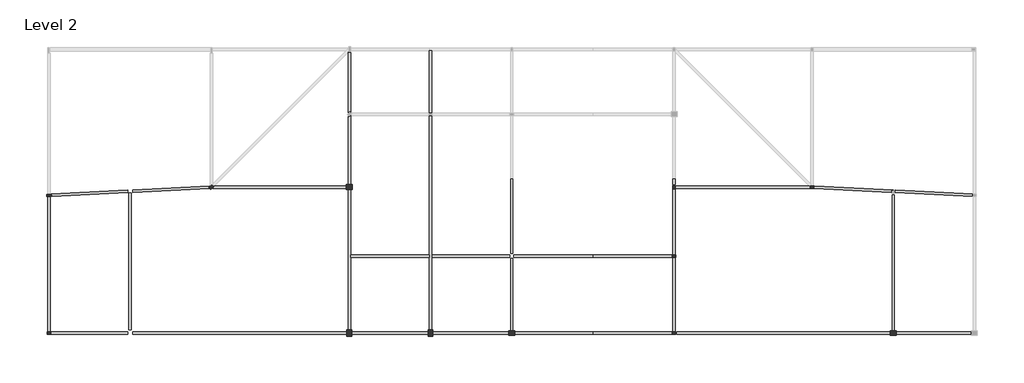
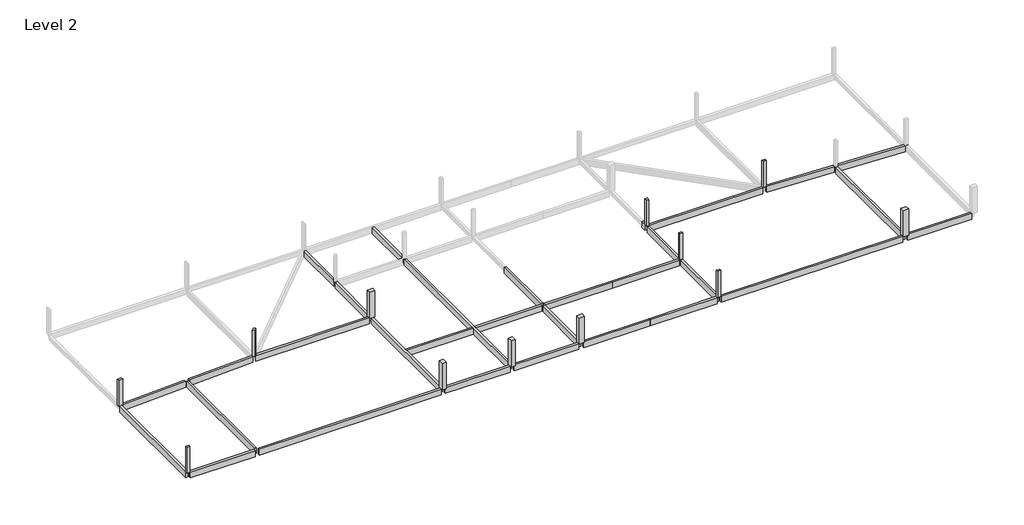
# One storey, part 1 of 2: 21 beams, 12 columns.
"""IFC4 building model written with IfcOpenShell, lengths in millimetres."""

from ifc_helpers import new_model, si_unit, frame, origin, place, context, project, spatial, polyline, outline, extrude, faceted_brep, element, save

model = new_model("IFC4")

# Units and contexts
model_context = context("Model", 3, world=origin())
ifc_project = project(units=[si_unit("LENGTHUNIT", "METRE", prefix="MILLI")], contexts=[model_context])

# Site, building, storey
site = spatial("IfcSite", under=ifc_project)
building = spatial("IfcBuilding", under=site)
storey = spatial("IfcBuildingStorey", under=building, Name="Level 2", Elevation=4000.0)

# Beams
placement = place(None, origin())
element("IfcBeam", 1, ObjectType="M_Concrete-Rectangular Beam : 300 x 900mm", at=placement, inside=storey, context=model_context, shape_type="SweptSolid", body=[
    extrude(outline(polyline([(4306.1468235, -7094.9155312), (4416.3524686, -7205.1211763), (-5015.5057722, -7676.7140883), (-5030.4870573, -7377.0883867), (4500.5245483, -6900.5378064), (4306.1468235, -7094.9155312)])), frame((0.0, 0.0, 3100.0), z_axis=(0.0, 0.0, 1.0), x_axis=(1.0, 0.0, 0.0)), (0.0, 0.0, 1.0), 900.0),
    extrude(outline(polyline([(-5629.7384606, -7407.0509568), (-5614.7571755, -7706.6766585), (-15015.5057722, -8176.7140883), (-15030.4870573, -7877.0883867), (-5629.7384606, -7407.0509568)])), frame((0.0, 0.0, 3100.0), z_axis=(0.0, 0.0, 1.0), x_axis=(1.0, 0.0, 0.0)), (0.0, 0.0, 1.0), 900.0),
])
element("IfcBeam", 2, ObjectType="M_Concrete-Rectangular Beam : 300 x 900mm", at=placement, inside=storey, context=model_context, shape_type="SweptSolid", body=[
    extrude(outline(polyline([(-15472.6221164, -8274.663597), (-15172.6221164, -8259.663597), (-15172.6221164, -24816.8825226), (-15472.6221164, -24816.8825226), (-15472.6221164, -8274.663597)])), frame((0.0, 0.0, 3100.0), z_axis=(0.0, 0.0, 1.0), x_axis=(1.0, 0.0, 0.0)), (0.0, 0.0, 1.0), 900.0),
])
element("IfcBeam", 3, ObjectType="M_Concrete-Rectangular Beam : 300 x 900mm", at=placement, inside=storey, context=model_context, shape_type="SweptSolid", body=[
    extrude(outline(polyline([(-5022.6221164, -25191.8825226), (-5022.6221164, -24891.8825226), (21377.3778836, -24891.8825226), (21377.3778836, -25191.8825226), (-5022.6221164, -25191.8825226)])), frame((0.0, 0.0, 3100.0), z_axis=(0.0, 0.0, 1.0), x_axis=(1.0, 0.0, 0.0)), (0.0, 0.0, 1.0), 900.0),
    extrude(outline(polyline([(-15022.6221164, -25191.8825226), (-15022.6221164, -24891.8825226), (-5622.6221164, -24891.8825226), (-5622.6221164, -25191.8825226), (-15022.6221164, -25191.8825226)])), frame((0.0, 0.0, 3100.0), z_axis=(0.0, 0.0, 1.0), x_axis=(1.0, 0.0, 0.0)), (0.0, 0.0, 1.0), 900.0),
])
element("IfcBeam", 4, ObjectType="M_Concrete-Rectangular Beam : 300 x 900mm", at=placement, inside=storey, context=model_context, shape_type="Brep", body=[
    faceted_brep([(21527.3778836, -24666.8825226, 4000.0), (21827.3778836, -24666.8825226, 4000.0), (21827.3778836, -15691.8825226, 4000.0), (21827.3778836, -15391.8825226, 4000.0), (21827.3778836, -7341.8825226, 4000.0), (21527.3778836, -7341.8825226, 4000.0), (21527.3778836, -24666.8825226, 3100.0), (21527.3778836, -7341.8825226, 3100.0), (21827.3778836, -24666.8825226, 3100.0), (21827.3778836, -7341.8825226, 3100.0), (21827.3778836, -15391.8825226, 3100.0), (21827.3778836, -15691.8825226, 3100.0)], [[[0, 1, 2, 3, 4, 5]], [[6, 0, 5, 7]], [[8, 6, 7, 9, 10, 11]], [[1, 8, 11, 10, 9, 4, 3, 2]], [[1, 0, 6, 8]], [[5, 4, 9, 7]]]),
    faceted_brep([(21527.3778836, 9595.9854431, 3100.0), (21527.3778836, 9595.9854431, 4000.0), (21539.509918, 9608.1174774, 4000.0), (21539.509918, 9608.1174774, 3100.0), (21827.3778836, 9608.1174774, 4000.0), (21827.3778836, 9608.1174774, 3100.0), (21730.4108922, 2329.3485375, 3100.0), (21730.4108922, 2329.3485375, 4000.0), (21527.3778836, 2126.315529, 4000.0), (21527.3778836, 2126.315529, 3100.0), (21827.3778836, 2232.3815461, 3100.0), (21827.3778836, 2232.3815461, 4000.0)], [[[0, 1, 2, 3]], [[2, 4, 5, 3]], [[6, 7, 8, 9]], [[7, 6, 10, 11]], [[2, 1, 8, 7, 11, 4]], [[1, 0, 9, 8]], [[0, 3, 5, 10, 6, 9]], [[5, 4, 11, 10]]]),
    faceted_brep([(21624.344875, 1586.8864173, 3100.0), (21624.344875, 1586.8864173, 4000.0), (21827.3778836, 1789.9194259, 4000.0), (21827.3778836, 1789.9194259, 3100.0), (21527.3778836, 1683.8534087, 3100.0), (21527.3778836, 1683.8534087, 4000.0), (21827.3778836, -6741.8825226, 4000.0), (21527.3778836, -6741.8825226, 4000.0), (21527.3778836, -6741.8825226, 3100.0), (21827.3778836, -6741.8825226, 3100.0)], [[[0, 1, 2, 3]], [[1, 0, 4, 5]], [[6, 7, 8, 9]], [[2, 1, 5, 7, 6]], [[5, 4, 8, 7]], [[0, 3, 9, 8, 4]], [[3, 2, 6, 9]]]),
])
element("IfcBeam", 5, ObjectType="M_Concrete-Rectangular Beam : 300 x 900mm", at=placement, inside=storey, context=model_context, shape_type="SweptSolid", body=[
    extrude(outline(polyline([(-5472.6221164, -7774.663597), (-5172.6221164, -7759.663597), (-5172.6221164, -24666.8825226), (-5472.6221164, -24666.8825226), (-5472.6221164, -7774.663597)])), frame((0.0, 0.0, 3100.0), z_axis=(0.0, 0.0, 1.0), x_axis=(1.0, 0.0, 0.0)), (0.0, 0.0, 1.0), 900.0),
])
element("IfcBeam", 6, ObjectType="M_Concrete-Rectangular Beam : 300 x 900mm", at=placement, inside=storey, context=model_context, shape_type="SweptSolid", body=[
    extrude(outline(polyline([(4995.5759351, -6935.8165054), (5039.509918, -6891.8825226), (21302.3778836, -6891.8825226), (21302.3778836, -7191.8825226), (4845.5759351, -7191.8825226), (5048.6089437, -6988.849514), (4995.5759351, -6935.8165054)])), frame((0.0, 0.0, 3100.0), z_axis=(0.0, 0.0, 1.0), x_axis=(1.0, 0.0, 0.0)), (0.0, 0.0, 1.0), 900.0),
])
element("IfcBeam", 7, ObjectType="M_Concrete-Rectangular Beam : 300 x 900mm", at=placement, inside=storey, context=model_context, shape_type="Brep", body=[
    faceted_brep([(41827.3778836, -15841.8825226, 4000.0), (41527.3778836, -15841.8825226, 4000.0), (41527.3778836, -24741.8825226, 4000.0), (41827.3778836, -24741.8825226, 4000.0), (41827.3778836, -15841.8825226, 3100.0), (41827.3778836, -24741.8825226, 3100.0), (41527.3778836, -15841.8825226, 3100.0), (41527.3778836, -24741.8825226, 3100.0)], [[[0, 1, 2, 3]], [[4, 0, 3, 5]], [[6, 4, 5, 7]], [[1, 6, 7, 2]], [[1, 0, 4, 6]], [[3, 2, 7, 5]]]),
    faceted_brep([(41527.3778836, -6041.8825226, 3100.0), (41527.3778836, -6041.8825226, 3400.0), (41527.3778836, -6041.8825226, 4000.0), (41827.3778836, -6041.8825226, 4000.0), (41827.3778836, -6041.8825226, 3400.0), (41827.3778836, -6041.8825226, 3100.0), (41827.3778836, -15241.8825226, 4000.0), (41527.3778836, -15241.8825226, 4000.0), (41527.3778836, -15241.8825226, 3100.0), (41827.3778836, -15241.8825226, 3100.0)], [[[0, 1, 2, 3, 4, 5]], [[6, 7, 8, 9]], [[3, 2, 7, 6]], [[5, 4, 3, 6, 9]], [[0, 5, 9, 8]], [[2, 1, 0, 8, 7]]]),
])
element("IfcBeam", 8, ObjectType="M_Concrete-Rectangular Beam : 300 x 900mm", at=placement, inside=storey, context=model_context, shape_type="Brep", body=[
    faceted_brep([(31827.3778836, 1733.1174774, 4000.0), (31527.3778836, 1733.1174774, 4000.0), (31527.3778836, -15391.8825226, 4000.0), (31527.3778836, -15691.8825226, 4000.0), (31527.3778836, -24666.8825226, 4000.0), (31827.3778836, -24666.8825226, 4000.0), (31827.3778836, -15691.8825226, 4000.0), (31827.3778836, -15391.8825226, 4000.0), (31827.3778836, 1733.1174774, 3100.0), (31827.3778836, -24666.8825226, 3100.0), (31827.3778836, -15691.8825226, 3100.0), (31827.3778836, -15391.8825226, 3100.0), (31527.3778836, 1733.1174774, 3100.0), (31527.3778836, -24666.8825226, 3100.0), (31527.3778836, -15691.8825226, 3100.0), (31527.3778836, -15391.8825226, 3100.0)], [[[0, 1, 2, 3, 4, 5, 6, 7]], [[8, 0, 7, 6, 5, 9, 10, 11]], [[12, 8, 11, 10, 9, 13, 14, 15]], [[1, 12, 15, 14, 13, 4, 3, 2]], [[1, 0, 8, 12]], [[5, 4, 13, 9]]]),
    faceted_brep([(31527.3778836, 9808.1174774, 4000.0), (31827.3778836, 9808.1174774, 4000.0), (31827.3778836, 9808.1174774, 3100.0), (31527.3778836, 9808.1174774, 3100.0), (31827.3778836, 2183.1174774, 4000.0), (31527.3778836, 2183.1174774, 4000.0), (31527.3778836, 2183.1174774, 3100.0), (31827.3778836, 2183.1174774, 3100.0)], [[[0, 1, 2, 3]], [[4, 5, 6, 7]], [[1, 0, 5, 4]], [[2, 1, 4, 7]], [[3, 2, 7, 6]], [[0, 3, 6, 5]]]),
])
element("IfcBeam", 9, ObjectType="M_Concrete-Rectangular Beam : 300 x 900mm", at=placement, inside=storey, context=model_context, shape_type="SweptSolid", body=[
    extrude(outline(polyline([(31977.3778836, -25191.8825226), (31977.3778836, -24891.8825226), (41302.3778836, -24891.8825226), (41302.3778836, -25191.8825226), (31977.3778836, -25191.8825226)])), frame((0.0, 0.0, 3100.0), z_axis=(0.0, 0.0, 1.0), x_axis=(1.0, 0.0, 0.0)), (0.0, 0.0, 1.0), 900.0),
])
element("IfcBeam", 10, ObjectType="M_Concrete-Rectangular Beam : 300 x 900mm", at=placement, inside=storey, context=model_context, shape_type="SweptSolid", body=[
    extrude(outline(polyline([(31827.3778836, -15691.8825226), (31827.3778836, -15391.8825226), (41452.3778836, -15391.8825226), (41452.3778836, -15691.8825226), (31827.3778836, -15691.8825226)])), frame((0.0, 0.0, 3100.0), z_axis=(0.0, 0.0, 1.0), x_axis=(1.0, 0.0, 0.0)), (0.0, 0.0, 1.0), 900.0),
])
element("IfcBeam", 11, ObjectType="M_Concrete-Rectangular Beam : 300 x 900mm", at=placement, inside=storey, context=model_context, shape_type="SweptSolid", body=[
    extrude(outline(polyline([(21977.3778836, -25191.8825226), (21977.3778836, -24891.8825226), (31377.3778836, -24891.8825226), (31377.3778836, -25191.8825226), (21977.3778836, -25191.8825226)])), frame((0.0, 0.0, 3100.0), z_axis=(0.0, 0.0, 1.0), x_axis=(1.0, 0.0, 0.0)), (0.0, 0.0, 1.0), 900.0),
])
element("IfcBeam", 12, ObjectType="M_Concrete-Rectangular Beam : 300 x 900mm", at=placement, inside=storey, context=model_context, shape_type="SweptSolid", body=[
    extrude(outline(polyline([(31527.3778836, -15391.8825226), (31527.3778836, -15691.8825226), (21827.3778836, -15691.8825226), (21827.3778836, -15391.8825226), (31527.3778836, -15391.8825226)])), frame((0.0, 0.0, 3100.0), z_axis=(0.0, 0.0, 1.0), x_axis=(1.0, 0.0, 0.0)), (0.0, 0.0, 1.0), 900.0),
])
element("IfcBeam", 13, ObjectType="M_Concrete-Rectangular Beam : 300 x 900mm", at=placement, inside=storey, context=model_context, shape_type="Brep", body=[
    faceted_brep([(88452.3778836, -7680.8199055, 4000.0), (88452.3778836, -7392.0699055, 4000.0), (88684.873202, -7392.0699055, 4000.0), (78977.3778836, -6906.6951396, 4000.0), (78977.3778836, -7207.0699055, 4000.0), (88452.3778836, -7680.8199055, 3100.0), (78977.3778836, -7207.0699055, 3100.0), (88452.3778836, -7392.0699055, 3100.0), (78977.3778836, -6906.6951396, 3100.0), (88684.873202, -7392.0699055, 3100.0)], [[[0, 1, 2, 3, 4]], [[5, 0, 4, 6]], [[7, 5, 6, 8, 9]], [[2, 9, 8, 3]], [[7, 1, 0, 5]], [[1, 7, 9, 2]], [[4, 3, 8, 6]]]),
    faceted_brep([(98827.3778836, -8199.5699055, 4000.0), (98827.3778836, -8199.5699055, 3100.0), (98827.3778836, -8191.8825226, 3100.0), (98827.3778836, -8191.8825226, 4000.0), (98673.6302244, -8191.8825226, 4000.0), (98673.6302244, -8191.8825226, 3100.0)], [[[0, 1, 2, 3]], [[4, 3, 2, 5]], [[0, 3, 4]], [[1, 0, 4, 5]], [[2, 1, 5]]]),
    faceted_brep([(98452.3778836, -7891.8825226, 4000.0), (98452.3778836, -7891.8825226, 3100.0), (98681.1255428, -7891.8825226, 3100.0), (98681.1255428, -7891.8825226, 3400.0), (98681.1255428, -7891.8825226, 4000.0), (98452.3778836, -8180.8199055, 4000.0), (98452.3778836, -8180.8199055, 3100.0), (88902.3778836, -7703.3199055, 4000.0), (88902.3778836, -7402.9451396, 4000.0), (88902.3778836, -7402.9451396, 3100.0), (88902.3778836, -7703.3199055, 3100.0), (98527.3778836, -7884.1951396, 4000.0)], [[[0, 1, 2, 3, 4]], [[1, 0, 5, 6]], [[7, 8, 9, 10]], [[0, 4, 11, 8, 7, 5]], [[6, 5, 7, 10]], [[2, 1, 6, 10, 9]], [[4, 3, 2, 9, 8, 11]]]),
])
element("IfcBeam", 14, ObjectType="M_Concrete-Rectangular Beam : 300 x 900mm", at=placement, inside=storey, context=model_context, shape_type="SweptSolid", body=[
    extrude(outline(polyline([(61977.3778836, -25191.8825226), (61977.3778836, -24891.8825226), (88302.3778836, -24891.8825226), (88302.3778836, -25191.8825226), (61977.3778836, -25191.8825226)])), frame((0.0, 0.0, 3100.0), z_axis=(0.0, 0.0, 1.0), x_axis=(1.0, 0.0, 0.0)), (0.0, 0.0, 1.0), 900.0),
    extrude(outline(polyline([(89052.3778836, -25191.8825226), (89052.3778836, -24891.8825226), (98302.3778836, -24891.8825226), (98302.3778836, -25191.8825226), (89052.3778836, -25191.8825226)])), frame((0.0, 0.0, 3100.0), z_axis=(0.0, 0.0, 1.0), x_axis=(1.0, 0.0, 0.0)), (0.0, 0.0, 1.0), 900.0),
])
element("IfcBeam", 15, ObjectType="M_Concrete-Rectangular Beam : 300 x 900mm", at=placement, inside=storey, context=model_context, shape_type="Brep", body=[
    faceted_brep([(61827.3778836, -15766.8825226, 4000.0), (61527.3778836, -15766.8825226, 4000.0), (61527.3778836, -24816.8825226, 4000.0), (61827.3778836, -24816.8825226, 4000.0), (61827.3778836, -15766.8825226, 3100.0), (61827.3778836, -24816.8825226, 3100.0), (61527.3778836, -15766.8825226, 3100.0), (61527.3778836, -24816.8825226, 3100.0)], [[[0, 1, 2, 3]], [[4, 0, 3, 5]], [[6, 4, 5, 7]], [[1, 6, 7, 2]], [[1, 0, 4, 6]], [[3, 2, 7, 5]]]),
    faceted_brep([(61527.3778836, -6041.8825226, 3100.0), (61527.3778836, -6041.8825226, 3400.0), (61527.3778836, -6041.8825226, 4000.0), (61827.3778836, -6041.8825226, 4000.0), (61827.3778836, -6041.8825226, 3400.0), (61827.3778836, -6041.8825226, 3100.0), (61827.3778836, -6741.8825226, 4000.0), (61527.3778836, -6741.8825226, 4000.0), (61527.3778836, -6741.8825226, 3100.0), (61827.3778836, -6741.8825226, 3100.0)], [[[0, 1, 2, 3, 4, 5]], [[6, 7, 8, 9]], [[3, 2, 7, 6]], [[5, 4, 3, 6, 9]], [[0, 5, 9, 8]], [[2, 1, 0, 8, 7]]]),
    faceted_brep([(61527.3778836, -7341.8825226, 4000.0), (61827.3778836, -7341.8825226, 4000.0), (61827.3778836, -7341.8825226, 3100.0), (61527.3778836, -7341.8825226, 3100.0), (61827.3778836, -15316.8825226, 4000.0), (61527.3778836, -15316.8825226, 4000.0), (61527.3778836, -15316.8825226, 3100.0), (61827.3778836, -15316.8825226, 3100.0)], [[[0, 1, 2, 3]], [[4, 5, 6, 7]], [[1, 0, 5, 4]], [[2, 1, 4, 7]], [[3, 2, 7, 6]], [[0, 3, 6, 5]]]),
])
element("IfcBeam", 16, ObjectType="M_Concrete-Rectangular Beam : 300 x 900mm", at=placement, inside=storey, context=model_context, shape_type="SweptSolid", body=[
    extrude(outline(polyline([(88527.3778836, -7992.0699055), (88827.3778836, -7992.0699055), (88827.3778836, -24741.8825226), (88527.3778836, -24741.8825226), (88527.3778836, -7992.0699055)])), frame((0.0, 0.0, 3100.0), z_axis=(0.0, 0.0, 1.0), x_axis=(1.0, 0.0, 0.0)), (0.0, 0.0, 1.0), 900.0),
])
element("IfcBeam", 17, ObjectType="M_Concrete-Rectangular Beam : 300 x 900mm", at=placement, inside=storey, context=model_context, shape_type="SweptSolid", body=[
    extrude(outline(polyline([(78315.2458493, -6891.8825226), (78377.3778836, -6954.0145569), (78377.3778836, -7191.8825226), (61902.3778836, -7191.8825226), (61902.3778836, -6891.8825226), (78315.2458493, -6891.8825226)])), frame((0.0, 0.0, 3100.0), z_axis=(0.0, 0.0, 1.0), x_axis=(1.0, 0.0, 0.0)), (0.0, 0.0, 1.0), 900.0),
])
element("IfcBeam", 18, ObjectType="M_Concrete-Rectangular Beam : 300 x 900mm", at=placement, inside=storey, context=model_context, shape_type="SweptSolid", body=[
    extrude(outline(polyline([(51677.3778836, -24891.8825226), (51677.3778836, -25191.8825226), (42052.3778836, -25191.8825226), (42052.3778836, -24891.8825226), (51677.3778836, -24891.8825226)])), frame((0.0, 0.0, 3100.0), z_axis=(0.0, 0.0, 1.0), x_axis=(1.0, 0.0, 0.0)), (0.0, 0.0, 1.0), 900.0),
])
element("IfcBeam", 19, ObjectType="M_Concrete-Rectangular Beam : 300 x 900mm", at=placement, inside=storey, context=model_context, shape_type="SweptSolid", body=[
    extrude(outline(polyline([(51677.3778836, -15391.8825226), (51677.3778836, -15691.8825226), (41902.3778836, -15691.8825226), (41902.3778836, -15391.8825226), (51677.3778836, -15391.8825226)])), frame((0.0, 0.0, 3100.0), z_axis=(0.0, 0.0, 1.0), x_axis=(1.0, 0.0, 0.0)), (0.0, 0.0, 1.0), 900.0),
])
element("IfcBeam", 20, ObjectType="M_Concrete-Rectangular Beam : 300 x 900mm", at=placement, inside=storey, context=model_context, shape_type="SweptSolid", body=[
    extrude(outline(polyline([(51677.3778836, -25191.8825226), (51677.3778836, -24891.8825226), (61377.3778836, -24891.8825226), (61377.3778836, -25191.8825226), (51677.3778836, -25191.8825226)])), frame((0.0, 0.0, 3100.0), z_axis=(0.0, 0.0, 1.0), x_axis=(1.0, 0.0, 0.0)), (0.0, 0.0, 1.0), 900.0),
])
element("IfcBeam", 21, ObjectType="M_Concrete-Rectangular Beam : 300 x 900mm", at=placement, inside=storey, context=model_context, shape_type="SweptSolid", body=[
    extrude(outline(polyline([(51677.3778836, -15691.8825226), (51677.3778836, -15391.8825226), (61377.3778836, -15391.8825226), (61377.3778836, -15691.8825226), (51677.3778836, -15691.8825226)])), frame((0.0, 0.0, 3100.0), z_axis=(0.0, 0.0, 1.0), x_axis=(1.0, 0.0, 0.0)), (0.0, 0.0, 1.0), 900.0),
])

# Columns
element("IfcColumn", 22, ObjectType="M_Concrete-Rectangular-Column : 250 x 600mm", at=placement, inside=storey, context=model_context, shape_type="Brep", body=[
    faceted_brep([(-15628.4900202, -7932.0197653, 4000.0), (-15029.2386168, -7902.0571951, 4000.0), (-15016.7542126, -8151.7452799, 4000.0), (-15616.0056159, -8181.70785, 4000.0), (-15628.4900202, -7932.0197653, 8000.0), (-15029.2386168, -7902.0571951, 8000.0), (-15029.2386168, -7902.0571951, 7000.0), (-15029.2386168, -7902.0571951, 6100.0), (-15016.7542126, -8151.7452799, 8000.0), (-15016.7542126, -8151.7452799, 7000.0), (-15016.7542126, -8151.7452799, 6100.0), (-15616.0056159, -8181.70785, 8000.0)], [[[0, 1, 2, 3]], [[4, 5, 6, 7, 1, 0]], [[5, 8, 9, 10, 2, 1, 7, 6]], [[8, 11, 3, 2, 10, 9]], [[11, 4, 0, 3]], [[4, 11, 8, 5]]]),
])
element("IfcColumn", 23, ObjectType="M_Concrete-Rectangular-Column : 300 x 450mm", at=placement, inside=storey, context=model_context, shape_type="Brep", body=[
    faceted_brep([(78452.3778836, -6891.8825226, 4000.0), (78902.3778836, -6891.8825226, 4000.0), (78902.3778836, -7191.8825226, 4000.0), (78452.3778836, -7191.8825226, 4000.0), (78452.3778836, -6891.8825226, 8000.0), (78902.3778836, -6891.8825226, 8000.0), (78452.3778836, -6891.8825226, 6100.0), (78452.3778836, -6891.8825226, 7000.0), (78902.3778836, -7191.8825226, 8000.0), (78902.3778836, -7191.8825226, 7000.0), (78902.3778836, -7191.8825226, 6100.0), (78452.3778836, -7191.8825226, 8000.0), (78452.3778836, -7191.8825226, 7000.0), (78452.3778836, -7191.8825226, 6100.0)], [[[0, 1, 2, 3]], [[4, 5, 1, 0, 6, 7]], [[5, 8, 9, 10, 2, 1]], [[8, 11, 12, 13, 3, 2, 10, 9]], [[11, 4, 7, 6, 0, 3, 13, 12]], [[4, 11, 8, 5]]]),
])
element("IfcColumn", 24, ObjectType="M_Concrete-Rectangular-Column : 300 x 450mm", at=placement, inside=storey, context=model_context, shape_type="Brep", body=[
    faceted_brep([(61527.3778836, -7266.8825226, 4000.0), (61527.3778836, -6816.8825226, 4000.0), (61827.3778836, -6816.8825226, 4000.0), (61827.3778836, -7266.8825226, 4000.0), (61527.3778836, -7266.8825226, 8000.0), (61527.3778836, -6816.8825226, 8000.0), (61527.3778836, -6816.8825226, 7000.0), (61527.3778836, -6816.8825226, 6100.0), (61527.3778836, -7266.8825226, 6100.0), (61527.3778836, -7266.8825226, 7000.0), (61827.3778836, -6816.8825226, 8000.0), (61827.3778836, -6816.8825226, 7000.0), (61827.3778836, -6816.8825226, 6100.0), (61827.3778836, -7266.8825226, 8000.0), (61827.3778836, -7266.8825226, 7000.0), (61827.3778836, -7266.8825226, 6100.0)], [[[0, 1, 2, 3]], [[4, 5, 6, 7, 1, 0, 8, 9]], [[5, 10, 11, 12, 2, 1, 7, 6]], [[10, 13, 14, 15, 3, 2, 12, 11]], [[13, 4, 9, 8, 0, 3, 15, 14]], [[4, 13, 10, 5]]]),
])
element("IfcColumn", 25, ObjectType="M_Concrete-Rectangular-Column : 300 x 450mm", at=placement, inside=storey, context=model_context, shape_type="Brep", body=[
    faceted_brep([(61902.3778836, -15691.8825226, 4000.0), (61452.3778836, -15691.8825226, 4000.0), (61452.3778836, -15391.8825226, 4000.0), (61902.3778836, -15391.8825226, 4000.0), (61902.3778836, -15691.8825226, 8000.0), (61452.3778836, -15691.8825226, 8000.0), (61452.3778836, -15691.8825226, 7000.0), (61452.3778836, -15691.8825226, 6100.0), (61452.3778836, -15391.8825226, 8000.0), (61452.3778836, -15391.8825226, 7000.0), (61452.3778836, -15391.8825226, 6100.0), (61902.3778836, -15391.8825226, 8000.0)], [[[0, 1, 2, 3]], [[4, 5, 6, 7, 1, 0]], [[5, 8, 9, 10, 2, 1, 7, 6]], [[8, 11, 3, 2, 10, 9]], [[11, 4, 0, 3]], [[4, 11, 8, 5]]]),
])
element("IfcColumn", 26, ObjectType="M_Concrete-Rectangular-Column : 300 x 450mm", at=placement, inside=storey, context=model_context, shape_type="Brep", body=[
    faceted_brep([(61902.3778836, -25191.8825226, 4000.0), (61452.3778836, -25191.8825226, 4000.0), (61452.3778836, -24891.8825226, 4000.0), (61902.3778836, -24891.8825226, 4000.0), (61902.3778836, -25191.8825226, 8000.0), (61452.3778836, -25191.8825226, 8000.0), (61452.3778836, -25191.8825226, 7000.0), (61452.3778836, -25191.8825226, 6100.0), (61902.3778836, -25191.8825226, 6100.0), (61902.3778836, -25191.8825226, 7000.0), (61452.3778836, -24891.8825226, 8000.0), (61452.3778836, -24891.8825226, 7000.0), (61452.3778836, -24891.8825226, 6100.0), (61902.3778836, -24891.8825226, 8000.0), (61902.3778836, -24891.8825226, 7000.0), (61902.3778836, -24891.8825226, 6100.0)], [[[0, 1, 2, 3]], [[4, 5, 6, 7, 1, 0, 8, 9]], [[5, 10, 11, 12, 2, 1, 7, 6]], [[10, 13, 14, 15, 3, 2, 12, 11]], [[13, 4, 9, 8, 0, 3, 15, 14]], [[4, 13, 10, 5]]]),
])
element("IfcColumn", 27, ObjectType="M_Concrete-Rectangular-Column : 300 x 450mm", at=placement, inside=storey, context=model_context, shape_type="Brep", body=[
    faceted_brep([(4942.5429266, -6988.849514, 4000.0), (4624.344875, -7307.0475655, 4000.0), (4412.2128407, -7094.9155312, 4000.0), (4730.4108922, -6776.7174796, 4000.0), (4942.5429266, -6988.849514, 8000.0), (4624.344875, -7307.0475655, 8000.0), (4942.5429266, -6988.849514, 6100.0), (4942.5429266, -6988.849514, 7000.0), (4412.2128407, -7094.9155312, 8000.0), (4412.2128407, -7094.9155312, 7000.0), (4412.2128407, -7094.9155312, 6100.0), (4730.4108922, -6776.7174796, 8000.0), (4730.4108922, -6776.7174796, 7000.0), (4730.4108922, -6776.7174796, 6100.0)], [[[0, 1, 2, 3]], [[4, 5, 1, 0, 6, 7]], [[5, 8, 9, 10, 2, 1]], [[8, 11, 12, 13, 3, 2, 10, 9]], [[11, 4, 7, 6, 0, 3, 13, 12]], [[4, 11, 8, 5]]]),
])
element("IfcColumn", 28, ObjectType="M_Concrete-Rectangular-Column : 300 x 450mm", at=placement, inside=storey, context=model_context, shape_type="Brep", body=[
    faceted_brep([(-15097.6221164, -25191.8825226, 4000.0), (-15547.6221164, -25191.8825226, 4000.0), (-15547.6221164, -24891.8825226, 4000.0), (-15097.6221164, -24891.8825226, 4000.0), (-15097.6221164, -25191.8825226, 8000.0), (-15547.6221164, -25191.8825226, 8000.0), (-15097.6221164, -25191.8825226, 6100.0), (-15097.6221164, -25191.8825226, 7000.0), (-15547.6221164, -24891.8825226, 8000.0), (-15097.6221164, -24891.8825226, 8000.0), (-15097.6221164, -24891.8825226, 7000.0), (-15097.6221164, -24891.8825226, 6100.0)], [[[0, 1, 2, 3]], [[4, 5, 1, 0, 6, 7]], [[5, 8, 2, 1]], [[8, 9, 10, 11, 3, 2]], [[9, 4, 7, 6, 0, 3, 11, 10]], [[4, 9, 8, 5]]]),
])
element("IfcColumn", 29, ObjectType="M_Concrete-Rectangular-Column : 600 x 750mm", at=placement, inside=storey, context=model_context, shape_type="SweptSolid", body=[
    extrude(outline(polyline([(21977.3778836, -24666.8825226), (21977.3778836, -25416.8825226), (21377.3778836, -25416.8825226), (21377.3778836, -24666.8825226), (21977.3778836, -24666.8825226)])), frame((0.0, 0.0, 4000.0), z_axis=(0.0, 0.0, 1.0), x_axis=(1.0, 0.0, 0.0)), (0.0, 0.0, 1.0), 4000.0),
])
element("IfcColumn", 30, ObjectType="M_Concrete-Rectangular-Column : 600 x 750mm", at=placement, inside=storey, context=model_context, shape_type="SweptSolid", body=[
    extrude(outline(polyline([(31977.3778836, -24666.8825226), (31977.3778836, -25416.8825226), (31377.3778836, -25416.8825226), (31377.3778836, -24666.8825226), (31977.3778836, -24666.8825226)])), frame((0.0, 0.0, 4000.0), z_axis=(0.0, 0.0, 1.0), x_axis=(1.0, 0.0, 0.0)), (0.0, 0.0, 1.0), 4000.0),
])
element("IfcColumn", 31, ObjectType="M_Concrete-Rectangular-Column : 600 x 750mm", at=placement, inside=storey, context=model_context, shape_type="SweptSolid", body=[
    extrude(outline(polyline([(41302.3778836, -24741.8825226), (42052.3778836, -24741.8825226), (42052.3778836, -25341.8825226), (41302.3778836, -25341.8825226), (41302.3778836, -24741.8825226)])), frame((0.0, 0.0, 4000.0), z_axis=(0.0, 0.0, 1.0), x_axis=(1.0, 0.0, 0.0)), (0.0, 0.0, 1.0), 4000.0),
])
element("IfcColumn", 32, ObjectType="M_Concrete-Rectangular-Column : 600 x 750mm", at=placement, inside=storey, context=model_context, shape_type="SweptSolid", body=[
    extrude(outline(polyline([(88302.3778836, -24741.8825226), (89052.3778836, -24741.8825226), (89052.3778836, -25341.8825226), (88302.3778836, -25341.8825226), (88302.3778836, -24741.8825226)])), frame((0.0, 0.0, 4000.0), z_axis=(0.0, 0.0, 1.0), x_axis=(1.0, 0.0, 0.0)), (0.0, 0.0, 1.0), 4000.0),
])
element("IfcColumn", 33, ObjectType="M_Concrete-Rectangular-Column : 600 x 750mm", at=placement, inside=storey, context=model_context, shape_type="SweptSolid", body=[
    extrude(outline(polyline([(21302.3778836, -6741.8825226), (22052.3778836, -6741.8825226), (22052.3778836, -7341.8825226), (21302.3778836, -7341.8825226), (21302.3778836, -6741.8825226)])), frame((0.0, 0.0, 4000.0), z_axis=(0.0, 0.0, 1.0), x_axis=(1.0, 0.0, 0.0)), (0.0, 0.0, 1.0), 4000.0),
])

save(model, "model.ifc")
